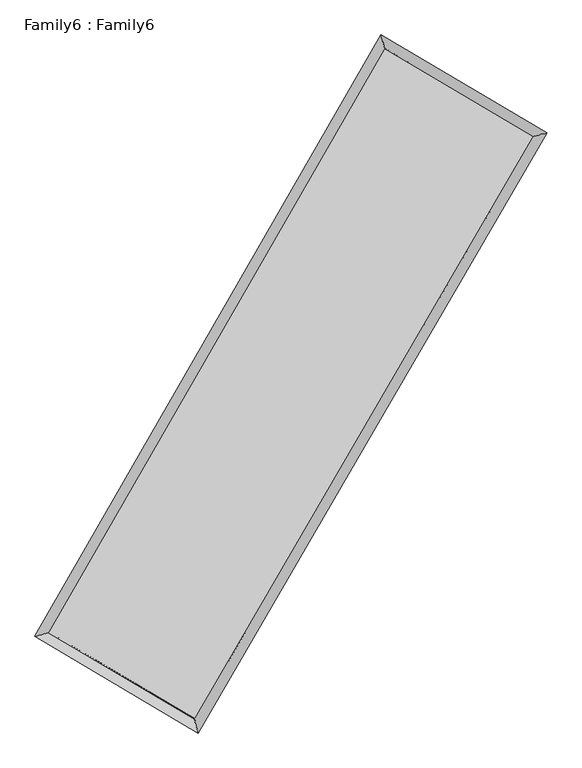
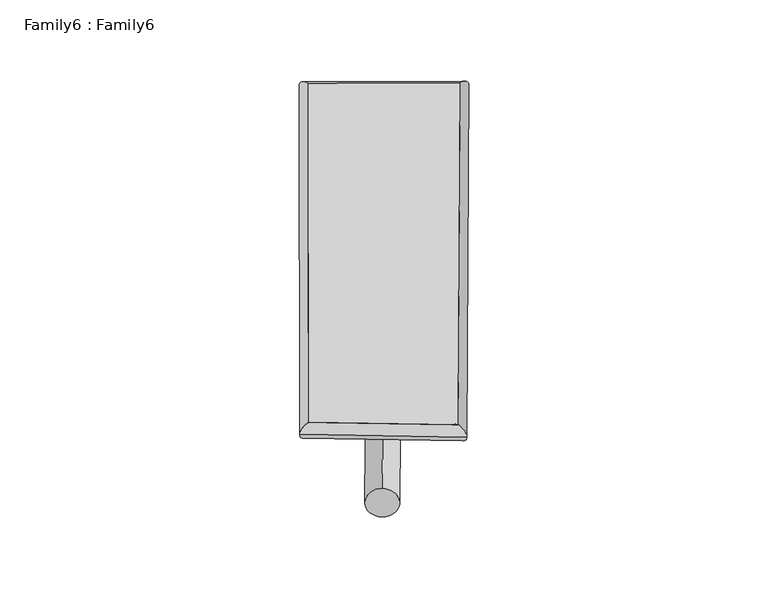
"""IFC4 building model written with IfcOpenShell, lengths in millimetres: plate geometry, Family6 : Family6."""

import ifcopenshell
import ifcopenshell.guid

model = None  # the IFC model being written
_history = None  # IfcOwnerHistory: only IFC2X3 demands one
_inside = {}  # id of a spatial element -> (the spatial element, [elements in it])
_under = {}  # id of a project, library or spatial element -> (it, [spatial elements below it])
_declared = {}  # id of a project -> (the project, [libraries it declares])
_typed = {}  # id of a type object -> (the type object, [elements of that type])
_made_of = {}  # id of a material, layer set ... -> (it, [elements and type objects made of it])


def new_model(schema):
    """Start an empty IFC model of exactly this schema.

    Asked for "IFC4X3", IfcOpenShell would pick the latest addendum, in which some entities
    have other attributes; the version numbers below select the first issue.
    IFC2X3 requires an IfcOwnerHistory on every rooted entity: one is made here for all.
    """
    global model, _history
    if schema == "IFC4X3":
        model = ifcopenshell.file(schema_version=(4, 3, 0, 0))
    else:
        model = ifcopenshell.file(schema=schema)
    _inside.clear()
    _under.clear()
    _declared.clear()
    _typed.clear()
    _made_of.clear()
    _history = None
    if model.schema == "IFC2X3":
        org = make("IfcOrganization", Name="unknown")
        user = make(
            "IfcPersonAndOrganization",
            ThePerson=make("IfcPerson", FamilyName="unknown"),
            TheOrganization=org,
        )
        app = make(
            "IfcApplication",
            ApplicationDeveloper=org,
            Version="unknown",
            ApplicationFullName="unknown",
            ApplicationIdentifier="unknown",
        )
        _history = make(
            "IfcOwnerHistory",
            OwningUser=user,
            OwningApplication=app,
            ChangeAction="ADDED",
            CreationDate=0,
        )
    return model


def make(cls, **values):
    """One entity of the class cls with the attributes given. An attribute that is None is left unset."""
    return model.create_entity(
        cls, **{name: value for name, value in values.items() if value is not None}
    )


def rooted(cls, **values):
    """An entity with a GlobalId (a new one), such as an element, a storey or a relation."""
    return make(cls, GlobalId=ifcopenshell.guid.new(), OwnerHistory=_history, **values)


def si_unit(unit_type, name, prefix=None):
    """IfcSIUnit, for example si_unit("LENGTHUNIT", "METRE", prefix="MILLI")."""
    return make("IfcSIUnit", UnitType=unit_type, Prefix=prefix, Name=name)


def assignment(units):
    """IfcUnitAssignment: the units of a project."""
    return None if units is None else make("IfcUnitAssignment", Units=units)


def point(xyz):
    """IfcCartesianPoint."""
    return None if xyz is None else make("IfcCartesianPoint", Coordinates=xyz)


def direction(xyz):
    """IfcDirection."""
    return None if xyz is None else make("IfcDirection", DirectionRatios=xyz)


def frame(location, z_axis=None, x_axis=None):
    """IfcAxis2Placement3D, a coordinate frame: its origin and axes. An axis left out is left unset."""
    return make(
        "IfcAxis2Placement3D",
        Location=point(location),
        Axis=direction(z_axis),
        RefDirection=direction(x_axis),
    )


def frame_2d(location, x_axis=None):
    """IfcAxis2Placement2D, a coordinate frame in the plane: its origin and x axis."""
    return make(
        "IfcAxis2Placement2D", Location=point(location), RefDirection=direction(x_axis)
    )


def origin():
    """The frame at (0, 0, 0) with its axes left unset."""
    return frame((0.0, 0.0, 0.0))


def origin_2d():
    """The frame at (0, 0) in the plane with its x axis left unset."""
    return frame_2d((0.0, 0.0))


def place(relative_to, where):
    """IfcLocalPlacement: puts the frame where relative to a parent placement (None: the world)."""
    return make(
        "IfcLocalPlacement", PlacementRelTo=relative_to, RelativePlacement=where
    )


def context(
    kind, dimensions, precision=None, world=None, true_north=None, identifier=None
):
    """IfcGeometricRepresentationContext, for example the 3D "Model" context."""
    return make(
        "IfcGeometricRepresentationContext",
        ContextIdentifier=identifier,
        ContextType=kind,
        CoordinateSpaceDimension=dimensions,
        Precision=precision,
        WorldCoordinateSystem=world,
        TrueNorth=true_north,
    )


def project(units=None, contexts=None):
    """IfcProject with its units and contexts."""
    return rooted(
        "IfcProject",
        Name="project",
        RepresentationContexts=contexts,
        UnitsInContext=assignment(units),
    )


def spatial(cls, under=None, at=None, **own):
    """A site, building, storey or space (cls), placed at a placement, below another one or the project."""
    s = rooted(cls, ObjectPlacement=at, **own)
    if under is not None:
        _under.setdefault(under.id(), (under, []))[1].append(s)
    return s


def circle_curve(where, radius):
    """IfcCircle in the frame where."""
    return make("IfcCircle", Position=where, Radius=radius)


def ellipse_curve(where, semi_axis1, semi_axis2):
    """IfcEllipse in the frame where."""
    return make(
        "IfcEllipse", Position=where, SemiAxis1=semi_axis1, SemiAxis2=semi_axis2
    )


def trimmed(basis, trim1, trim2, sense, master):
    """IfcTrimmedCurve: the piece of a basis curve between two trims."""
    return make(
        "IfcTrimmedCurve",
        BasisCurve=basis,
        Trim1=trim1,
        Trim2=trim2,
        SenseAgreement=sense,
        MasterRepresentation=master,
    )


def segment(curve, same_sense, transition):
    """IfcCompositeCurveSegment."""
    return make(
        "IfcCompositeCurveSegment",
        Transition=transition,
        SameSense=same_sense,
        ParentCurve=curve,
    )


def composite_curve(segments, self_intersect=None):
    """IfcCompositeCurve: segments joined end to end."""
    return make("IfcCompositeCurve", Segments=segments, SelfIntersect=self_intersect)


def outline(outer, holes=None, kind="AREA"):
    """IfcArbitraryClosedProfileDef: a profile drawn as a closed curve; with holes, ...WithVoids."""
    if holes is None:
        return make("IfcArbitraryClosedProfileDef", ProfileType=kind, OuterCurve=outer)
    return make(
        "IfcArbitraryProfileDefWithVoids",
        ProfileType=kind,
        OuterCurve=outer,
        InnerCurves=holes,
    )


def extrude(swept, where, along, depth):
    """IfcExtrudedAreaSolid: the profile swept, set in the frame where, extruded along a direction by depth."""
    return make(
        "IfcExtrudedAreaSolid",
        SweptArea=swept,
        Position=where,
        ExtrudedDirection=direction(along),
        Depth=depth,
    )


def shape(context_of_items, identifier, shape_type, items):
    """IfcShapeRepresentation: the items that make up one representation, for example the "Body"."""
    return make(
        "IfcShapeRepresentation",
        ContextOfItems=context_of_items,
        RepresentationIdentifier=identifier,
        RepresentationType=shape_type,
        Items=items,
    )


def source(mapping_origin, context_of_items, identifier, shape_type, items):
    """IfcRepresentationMap: a shape defined once, which mapped items show again and again."""
    return make(
        "IfcRepresentationMap",
        MappingOrigin=mapping_origin,
        MappedRepresentation=shape(context_of_items, identifier, shape_type, items),
    )


def transform(
    local_origin,
    x_axis=None,
    y_axis=None,
    z_axis=None,
    scale=None,
    scale2=None,
    scale3=None,
    uniform=True,
):
    """IfcCartesianTransformationOperator3D, or its non-uniform kind. x_axis, y_axis, z_axis: its Axis1, 2, 3."""
    if uniform:
        return make(
            "IfcCartesianTransformationOperator3D",
            Axis1=direction(x_axis),
            Axis2=direction(y_axis),
            LocalOrigin=point(local_origin),
            Scale=scale,
            Axis3=direction(z_axis),
        )
    return make(
        "IfcCartesianTransformationOperator3DnonUniform",
        Axis1=direction(x_axis),
        Axis2=direction(y_axis),
        LocalOrigin=point(local_origin),
        Scale=scale,
        Axis3=direction(z_axis),
        Scale2=scale2,
        Scale3=scale3,
    )


def mapped(mapping_source, mapping_target):
    """IfcMappedItem: shows the shape of a source again, moved by a transform."""
    return make(
        "IfcMappedItem", MappingSource=mapping_source, MappingTarget=mapping_target
    )


def made_of(thing, what):
    """Note that an element or type object is made of a material, layer set ...; save() writes the relation."""
    if what is not None:
        _made_of.setdefault(what.id(), (what, []))[1].append(thing)
    return thing


def element(
    cls,
    number,
    at=None,
    inside=None,
    cuts=None,
    type_object=None,
    material=None,
    context=None,
    identifier="Body",
    shape_type=None,
    held_by="IfcProductDefinitionShape",
    body=None,
    shapes=None,
    **own,
):
    """One element of the class cls, such as IfcWall. Its Tag is "e" and its number.

    at: its placement. inside: the storey or other place that contains it. cuts: it is an
    opening in that element (IfcRelVoidsElement). A single representation is given by context,
    identifier, shape_type and body (its items); several are given by shapes. held_by: the class
    of the entity that holds the representations. save() writes the other relations.
    """
    e = rooted(cls, Tag="e%d" % number, ObjectPlacement=at, **own)
    if body is not None:
        shapes = [shape(context, identifier, shape_type, body)]
    if shapes is not None:
        e.Representation = make(held_by, Representations=shapes)
    if inside is not None:
        _inside.setdefault(inside.id(), (inside, []))[1].append(e)
    if cuts is not None:
        rooted(
            "IfcRelVoidsElement", RelatingBuildingElement=cuts, RelatedOpeningElement=e
        )
    if type_object is not None:
        _typed.setdefault(type_object.id(), (type_object, []))[1].append(e)
    return made_of(e, material)


def aggregate(whole, parts):
    """IfcRelAggregates: a whole, such as a stair, and the parts it consists of."""
    return rooted("IfcRelAggregates", RelatingObject=whole, RelatedObjects=parts)


def save(model, path):
    """Write the relations noted so far, then the file.

    IfcRelAggregates (storeys below a building ...), IfcRelContainedInSpatialStructure (elements
    in a storey), IfcRelDefinesByType, IfcRelAssociatesMaterial and IfcRelDeclares: one each for
    every whole, place, type object, material and project.
    """
    for whole, parts in _under.values():
        aggregate(whole, parts)
    for where, things in _inside.values():
        rooted(
            "IfcRelContainedInSpatialStructure",
            RelatedElements=things,
            RelatingStructure=where,
        )
    for kind, things in _typed.values():
        rooted("IfcRelDefinesByType", RelatedObjects=things, RelatingType=kind)
    for what, things in _made_of.values():
        rooted("IfcRelAssociatesMaterial", RelatedObjects=things, RelatingMaterial=what)
    for by, libraries in _declared.values():
        rooted("IfcRelDeclares", RelatingContext=by, RelatedDefinitions=libraries)
    model.write(path)


def plane_surface(at):
    """IfcPlane: the flat surface through the origin of the frame at, square to its z axis."""
    return make("IfcPlane", Position=at)


def cylinder_surface(at, radius):
    """IfcCylindricalSurface: all points at the distance radius from the z axis of the frame at."""
    return make("IfcCylindricalSurface", Position=at, Radius=radius)


def spline_surface(u_degree, v_degree, points, u_multiplicities, v_multiplicities, u_knots, v_knots, weights=None):
    """IfcBSplineSurfaceWithKnots; with weights, IfcRationalBSplineSurfaceWithKnots. points: one row for each step in u."""
    own = dict(
        UDegree=u_degree,
        VDegree=v_degree,
        ControlPointsList=[[point(p) for p in row] for row in points],
        SurfaceForm="UNSPECIFIED",
        UClosed=False,
        VClosed=False,
        SelfIntersect=False,
        UMultiplicities=u_multiplicities,
        VMultiplicities=v_multiplicities,
        UKnots=u_knots,
        VKnots=v_knots,
        KnotSpec="UNSPECIFIED",
    )
    if weights is None:
        return make("IfcBSplineSurfaceWithKnots", **own)
    return make("IfcRationalBSplineSurfaceWithKnots", WeightsData=weights, **own)


def advanced_brep(points, edges, surfaces, faces):
    """IfcAdvancedBrep: a solid bounded by faces that lie on surfaces and meet in shared edges.

    An edge is (start, end): straight between two places in points (the first is 0);
    or (start, end, curve); or (start, end, curve, False) where it runs against its curve.
    A face is (place in surfaces, loops), or (place, loops, False) where it looks against
    its surface's normal. A loop lists edges by number (the first is 1), with a minus sign
    where the edge is run from its end to its start. The first loop is the outer one.
    """
    corners = [point(p) for p in points]
    vertices = [make("IfcVertexPoint", VertexGeometry=c) for c in corners]
    made = []
    for start, end, *more in edges:
        made.append(
            make(
                "IfcEdgeCurve",
                EdgeStart=vertices[start],
                EdgeEnd=vertices[end],
                EdgeGeometry=more[0] if more else make("IfcPolyline", Points=[corners[start], corners[end]]),
                SameSense=more[1] if len(more) > 1 else True,
            )
        )
    hull = []
    for where, loops, *sense in faces:
        bounds = []
        for j, loop in enumerate(loops):
            ring = [make("IfcOrientedEdge", EdgeElement=made[abs(k) - 1], Orientation=k > 0) for k in loop]
            bounds.append(
                make(
                    "IfcFaceOuterBound" if j == 0 else "IfcFaceBound",
                    Bound=make("IfcEdgeLoop", EdgeList=ring),
                    Orientation=True,
                )
            )
        hull.append(make("IfcAdvancedFace", Bounds=bounds, FaceSurface=surfaces[where], SameSense=sense[0] if sense else True))
    return make("IfcAdvancedBrep", Outer=make("IfcClosedShell", CfsFaces=hull))


def family6_family6_075670c2(model_context):
    return source(origin(), model_context, "Body", "SolidModel", [
        extrude(outline(composite_curve([segment(trimmed(circle_curve(origin_2d(), 76.2), [point((-75.4341515, -10.7763073))], [point((75.4341515, 10.7763073))], False, "CARTESIAN"), True, "CONTINUOUS"), segment(trimmed(circle_curve(origin_2d(), 76.2), [point((75.4341515, 10.7763073))], [point((-75.4341515, -10.7763073))], False, "CARTESIAN"), True, "CONTINUOUS")], self_intersect=False)), frame((9144.0, 9144.0, 0.0), z_axis=(0.673623266009867, 0.685674812488525, 0.2758291989783284), x_axis=(-0.6780487923963902, 0.7218488624214867, -0.13850651591388288)), (0.0, 0.0, 1.0), 5575.0485274),
        extrude(outline(composite_curve([segment(trimmed(circle_curve(origin_2d(), 76.2), [point((-53.8815367, 53.8815367))], [point((53.8815367, -53.8815367))], False, "CARTESIAN"), True, "CONTINUOUS"), segment(trimmed(circle_curve(origin_2d(), 76.2), [point((53.8815367, -53.8815367))], [point((-53.8815367, 53.8815367))], False, "CARTESIAN"), True, "CONTINUOUS")], self_intersect=False)), frame((9144.0, 9144.0, 0.0), z_axis=(-0.6707070366172603, -0.688383740318383, 0.27618815524451135), x_axis=(0.6442102535230019, -0.35608656355987905, 0.6769014023533604)), (0.0, 0.0, 1.0), 5568.0511067),
        extrude(outline(composite_curve([segment(trimmed(circle_curve(origin_2d(), 76.2), [point((-53.8815368, -53.8815368))], [point((53.8815368, 53.8815368))], False, "CARTESIAN"), True, "CONTINUOUS"), segment(trimmed(circle_curve(origin_2d(), 76.2), [point((53.8815368, 53.8815368))], [point((-53.8815368, -53.8815368))], False, "CARTESIAN"), True, "CONTINUOUS")], self_intersect=False)), frame((9144.0, 9144.0, 0.0), z_axis=(0.2609880354576475, 0.9268809337178313, 0.26977208910174366), x_axis=(-0.8419663999739434, 0.355262140693307, -0.40605589849788737)), (0.0, 0.0, 1.0), 5588.3240096),
        extrude(outline(composite_curve([segment(trimmed(circle_curve(origin_2d(), 76.2), [point((-75.4341514, 10.7763073))], [point((75.4341514, -10.7763073))], False, "CARTESIAN"), True, "CONTINUOUS"), segment(trimmed(circle_curve(origin_2d(), 76.2), [point((75.4341514, -10.7763073))], [point((-75.4341514, 10.7763073))], False, "CARTESIAN"), True, "CONTINUOUS")], self_intersect=False)), frame((9144.0, 9144.0, 0.0), z_axis=(-0.2647142946056315, -0.9257809406704425, 0.2699184916281092), x_axis=(0.8818364931091855, -0.11912257713334364, 0.4562611215499343)), (0.0, 0.0, 1.0), 5584.1152462),
        advanced_brep(
        [(5202.2971768, 5256.702835, 1535.5828413), (5202.2711959, 5256.6628228, 1540.804454), (5616.6407082, 5365.3854708, 1540.0766857), (10657.5987199, 14114.148879, 1510.7067003), (10547.3726897, 14533.2730729, 1504.440985), (5616.6666891, 5365.425483, 1534.855073), (12691.6087273, 12912.4779252, 1537.4378337), (13107.3560671, 13020.862782, 1538.0845054), (7611.3431765, 4183.7276688, 1507.8268111), (7720.2665667, 3764.9374003, 1506.6851175)],
        [
            (0, 1, ellipse_curve(frame((5409.4689425, 5311.0441529, 1537.8297635), z_axis=(-0.2537754554465373, 0.9672436129693011, 0.006149096112058832), x_axis=(-0.9671937938731561, -0.2538282615364215, 0.010362371285019423)), 214.2373453, 152.4)),
            (1, 2, ellipse_curve(frame((5409.4689425, 5311.0441529, 1537.8297635), z_axis=(-0.2537754554465373, 0.9672436129693011, 0.006149096112058832), x_axis=(-0.9671937938731561, -0.2538282615364215, 0.010362371285019423)), 214.2373453, 152.4)),
            (2, 3),
            (3, 4, ellipse_curve(frame((10602.4857048, 14323.710976, 1507.5738427), z_axis=(-0.967074919559486, -0.25442166489666007, -0.005976319120095942), x_axis=(0.25435566657086084, -0.9670590164156373, 0.010002682265943091)), 216.7129069, 152.4)),
            (4, 0),
            (2, 5, ellipse_curve(frame((5409.4689425, 5311.0441529, 1537.8297635), z_axis=(-0.2537754554465373, 0.9672436129693011, 0.006149096112058832), x_axis=(-0.9671937938731561, -0.2538282615364215, 0.010362371285019423)), 214.2373453, 152.4)),
            (5, 0, ellipse_curve(frame((5409.4689425, 5311.0441529, 1537.8297635), z_axis=(-0.2537754554465373, 0.9672436129693011, 0.006149096112058832), x_axis=(-0.9671937938731561, -0.2538282615364215, 0.010362371285019423)), 214.2373453, 152.4)),
            (4, 3, ellipse_curve(frame((10602.4857048, 14323.710976, 1507.5738427), z_axis=(-0.967074919559486, -0.25442166489666007, -0.005976319120095942), x_axis=(0.25435566657086084, -0.9670590164156373, 0.010002682265943091)), 216.7129069, 152.4)),
            (3, 6),
            (6, 7, ellipse_curve(frame((12899.4823972, 12966.6703536, 1537.7611696), z_axis=(-0.2522542256829282, 0.9676429613407923, -0.005908044746622961), x_axis=(-0.9675953658328849, -0.2523035238787025, -0.01010642652546697)), 214.8295993, 152.4)),
            (7, 4),
            (7, 6, ellipse_curve(frame((12899.4823972, 12966.6703536, 1537.7611696), z_axis=(-0.2522542256829282, 0.9676429613407923, -0.005908044746622961), x_axis=(-0.9675953658328849, -0.2523035238787025, -0.01010642652546697)), 214.8295993, 152.4)),
            (6, 8),
            (8, 9, ellipse_curve(frame((7665.8048716, 3974.3325345, 1507.2559643), z_axis=(0.9677784838033713, 0.2517269212200618, -0.006193821140174489), x_axis=(-0.2516568573282452, 0.9677619678069559, 0.010276177600617437)), 216.3688938, 152.4)),
            (9, 7),
            (9, 8, ellipse_curve(frame((7665.8048716, 3974.3325345, 1507.2559643), z_axis=(0.9677784838033713, 0.2517269212200618, -0.006193821140174489), x_axis=(-0.2516568573282452, 0.9677619678069559, 0.010276177600617437)), 216.3688938, 152.4)),
            (8, 5),
            (1, 9),
        ],
        [
            cylinder_surface(frame((5409.4689425, 5311.0441529, 1537.8297635), z_axis=(-0.4992442995936234, -0.8664563858609563, 0.0029087323771384687), x_axis=(-0.8663511772916903, 0.4991245410450371, -0.01761618948249725)), 152.4),
            cylinder_surface(frame((10602.4857048, 14323.710976, 1507.5738427), z_axis=(-0.8609166604475861, 0.5086201841541064, -0.01131424035536737), x_axis=(0.5087204237849118, 0.8608834896251379, -0.009118536886193358)), 152.4),
            cylinder_surface(frame((12899.4823972, 12966.6703536, 1537.7611696), z_axis=(0.5030186416254222, 0.8642705884523602, 0.0029319129465617388), x_axis=(0.8642751994318926, -0.5030186416254222, -0.0007910905621097491)), 152.4),
            cylinder_surface(frame((7665.8048716, 3974.3325345, 1507.2559643), z_axis=(0.8602960046457276, -0.5096615489835922, -0.011657181402209065), x_axis=(-0.5095996038859933, -0.860374462372617, 0.008001763322490908)), 152.4),
        ],
        [
            (0, [[1, 2, 3, 4, 5]]),
            (0, [[6, 7, -5, 8, -3]]),
            (1, [[-4, 9, 10, 11]]),
            (1, [[-8, -11, 12, -9]]),
            (2, [[-10, 13, 14, 15]]),
            (2, [[-12, -15, 16, -13]]),
            (3, [[-14, 17, -6, -2, 18]]),
            (3, [[-16, -18, -1, -7, -17]]),
        ],
    ),
        extrude(outline(composite_curve([segment(trimmed(circle_curve(origin_2d(), 304.8), [point((0.0, 304.8))], [point((0.0, -304.8))], False, "CARTESIAN"), True, "CONTINUOUS"), segment(trimmed(circle_curve(origin_2d(), 304.8), [point((0.0, -304.8))], [point((0.0, 304.8))], False, "CARTESIAN"), True, "CONTINUOUS")], self_intersect=False)), frame((11776.6066626, 13654.7642981, -0.0062604), z_axis=(-0.504060654648386, -0.8636682560069021, 1.19865948524208e-06), x_axis=(-0.863668256007673, 0.504060654648386, -3.241977658224289e-07)), (0.0, 0.0, 1.0), 10445.5947448),
        advanced_brep(
        [(5409.4689425, 5311.0441529, 1537.8297635), (7665.8048716, 3974.3325345, 1507.2559643), (7665.8005494, 3974.3328482, 1659.6559643), (5409.4646203, 5311.0444666, 1690.2297634), (12899.4823972, 12966.6703536, 1537.7611696), (12899.478075, 12966.6706673, 1690.1611695), (10602.4857048, 14323.710976, 1507.5738427), (10602.4813826, 14323.7112896, 1659.9738426)],
        [
            (0, 1),
            (1, 2),
            (2, 3),
            (3, 0),
            (1, 4),
            (4, 5),
            (5, 2),
            (4, 6),
            (6, 7),
            (7, 5),
            (6, 0),
            (3, 7),
        ],
        [
            plane_surface(frame((6537.636907, 4642.6883437, 1522.5428639), z_axis=(-0.5096963086218463, -0.8603543879218403, -1.2684624995754588e-05), x_axis=(0.8602960046457275, -0.5096615489835922, -0.011657181402209074))),
            plane_surface(frame((10282.6436344, 8470.5014441, 1522.508567), z_axis=(0.8642742652014663, -0.5030208682130678, 2.554675901435071e-05), x_axis=(0.5030186416254223, 0.86427058845236, 0.0029319129465617275))),
            plane_surface(frame((11750.984051, 13645.1906648, 1522.6675061), z_axis=(0.5086526187204564, 0.8609718423436998, 1.2653754354339901e-05), x_axis=(-0.860916660447586, 0.5086201841541063, -0.011314240355367378))),
            plane_surface(frame((8005.9773236, 9817.3775644, 1522.7018031), z_axis=(-0.8664600882017004, 0.4992463469051044, -2.5600982029744604e-05), x_axis=(-0.49924429959362365, -0.8664563858609563, 0.0029087323771384618))),
            spline_surface(1, 1, [[(7665.8005494, 3974.3328482, 1659.6559643), (5409.4646203, 5311.0444666, 1690.2297634)], [(12899.478075, 12966.6706673, 1690.1611695), (10602.4813826, 14323.7112896, 1659.9738426)]], [2, 2], [2, 2], [0.0, 1.0], [0.0, 1.0]),
            spline_surface(1, 1, [[(10602.4857048, 14323.710976, 1507.5738427), (5409.4689425, 5311.0441529, 1537.8297635)], [(12899.4823972, 12966.6703536, 1537.7611696), (7665.8048716, 3974.3325345, 1507.2559643)]], [2, 2], [2, 2], [0.0, 1.0], [0.0, 1.0]),
        ],
        [
            (0, [[1, 2, 3, 4]]),
            (1, [[5, 6, 7, -2]]),
            (2, [[8, 9, 10, -6]]),
            (3, [[11, -4, 12, -9]]),
            (4, [[-3, -7, -10, -12]]),
            (5, [[-11, -8, -5, -1]]),
        ],
    ),
    ])


if __name__ == "__main__":
    model = new_model("IFC4")
    model_context = context("Model", 3, world=origin())
    ifc_project = project(units=[si_unit("LENGTHUNIT", "METRE", prefix="MILLI")], contexts=[model_context])
    site = spatial("IfcSite", under=ifc_project)
    building = spatial("IfcBuilding", under=site)
    placement = place(None, origin())
    family6_family6_shape = family6_family6_075670c2(model_context)
    element("IfcPlate", 1, ObjectType="Family6 : Family6", at=placement, inside=building, context=model_context, shape_type="MappedRepresentation", body=[
        mapped(family6_family6_shape, transform((0.0, 0.0, 0.0), x_axis=(1.0, 0.0, 0.0), y_axis=(0.0, 1.0, 0.0), z_axis=(0.0, 0.0, 1.0))),
    ])
    save(model, "model.ifc")
